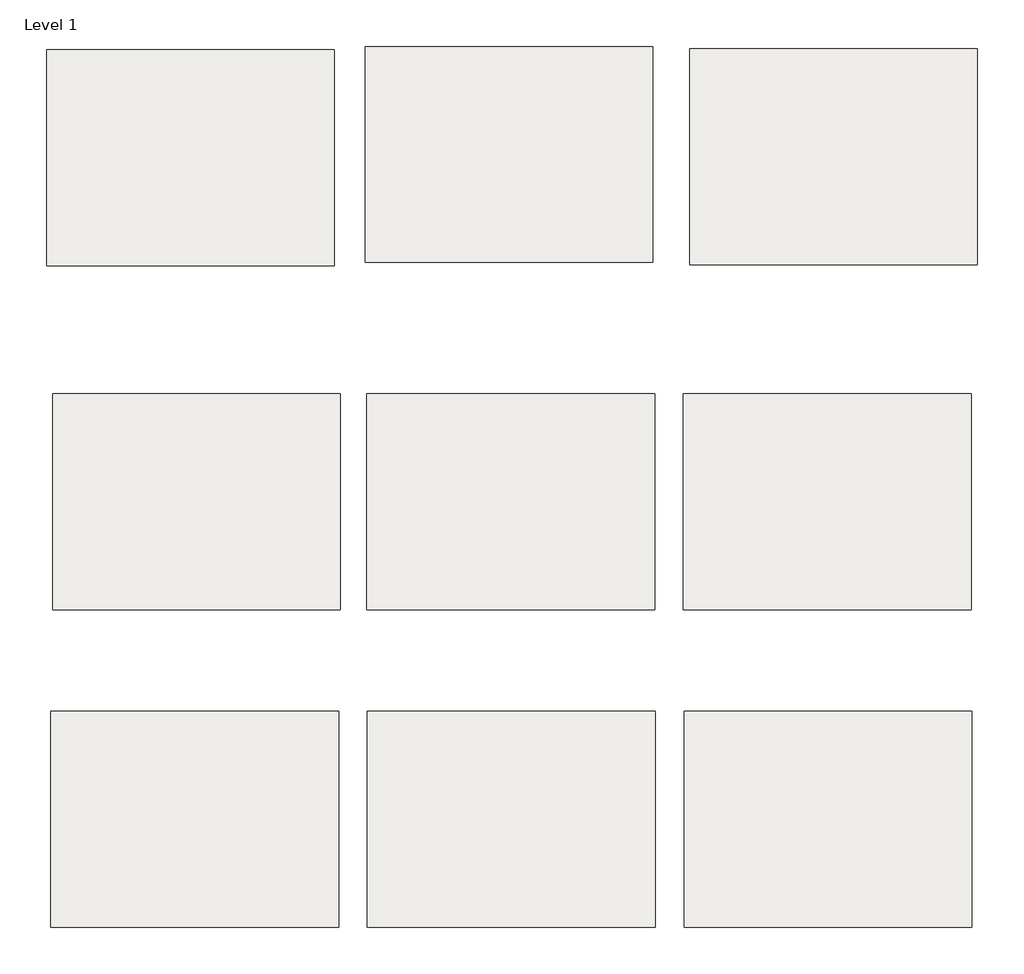
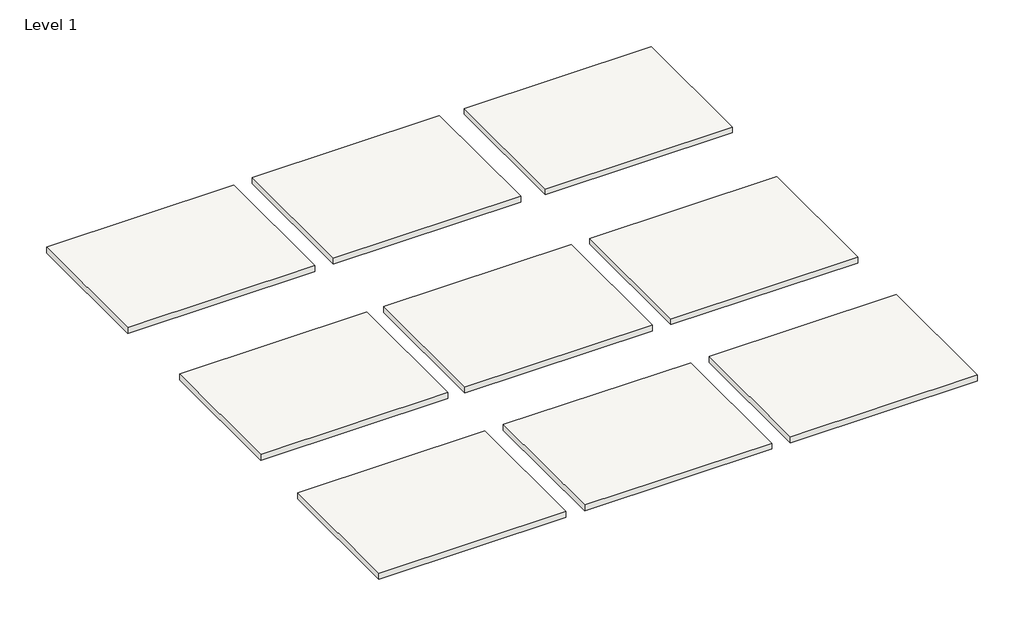
# One storey: 9 slabs.
"""IFC4 building model written with IfcOpenShell, lengths in millimetres."""

from ifc_helpers import new_model, si_unit, frame, origin, place, context, project, spatial, polyline, outline, extrude, element, save

model = new_model("IFC4")

# Units and contexts
model_context = context("Model", 3, world=origin())
ifc_project = project(units=[si_unit("LENGTHUNIT", "METRE", prefix="MILLI")], contexts=[model_context])

# Site, building, storey
site = spatial("IfcSite", under=ifc_project)
building = spatial("IfcBuilding", under=site)
storey = spatial("IfcBuildingStorey", under=building, Name="Level 1", Elevation=0.0)

# Slabs
placement = place(None, origin())
element("IfcSlab", 1, at=placement, inside=storey, context=model_context, shape_type="SweptSolid", body=[
    extrude(outline(polyline([(1175.3310586, 17065.7314034), (1175.3310586, 16779.9814034), (794.3310586, 16779.9814034), (794.3310586, 17065.7314034), (1175.3310586, 17065.7314034)])), frame((0.0, 0.0, -12.7), z_axis=(0.0, 0.0, 1.0), x_axis=(1.0, 0.0, 0.0)), (0.0, 0.0, 1.0), 12.7),
])
element("IfcSlab", 2, at=placement, inside=storey, context=model_context, shape_type="SweptSolid", body=[
    extrude(outline(polyline([(1596.9295444, 17070.1210511), (1596.9295444, 16784.3710511), (1215.9295444, 16784.3710511), (1215.9295444, 17070.1210511), (1596.9295444, 17070.1210511)])), frame((0.0, 0.0, -12.7), z_axis=(0.0, 0.0, 1.0), x_axis=(1.0, 0.0, 0.0)), (0.0, 0.0, 1.0), 12.7),
])
element("IfcSlab", 3, at=placement, inside=storey, context=model_context, shape_type="SweptSolid", body=[
    extrude(outline(polyline([(2026.7000017, 17067.2843083), (2026.7000017, 16781.5343083), (1645.7000017, 16781.5343083), (1645.7000017, 17067.2843083), (2026.7000017, 17067.2843083)])), frame((0.0, 0.0, -12.7), z_axis=(0.0, 0.0, 1.0), x_axis=(1.0, 0.0, 0.0)), (0.0, 0.0, 1.0), 12.7),
])
element("IfcSlab", 4, at=placement, inside=storey, context=model_context, shape_type="SweptSolid", body=[
    extrude(outline(polyline([(1183.3895178, 16610.3654458), (1183.3895178, 16324.6154458), (802.3895178, 16324.6154458), (802.3895178, 16610.3654458), (1183.3895178, 16610.3654458)])), frame((0.0, 0.0, -12.7), z_axis=(0.0, 0.0, 1.0), x_axis=(1.0, 0.0, 0.0)), (0.0, 0.0, 1.0), 12.7),
])
element("IfcSlab", 5, at=placement, inside=storey, context=model_context, shape_type="SweptSolid", body=[
    extrude(outline(polyline([(1599.3145178, 16610.3654458), (1599.3145178, 16324.6154458), (1218.3145178, 16324.6154458), (1218.3145178, 16610.3654458), (1599.3145178, 16610.3654458)])), frame((0.0, 0.0, -12.7), z_axis=(0.0, 0.0, 1.0), x_axis=(1.0, 0.0, 0.0)), (0.0, 0.0, 1.0), 12.7),
])
element("IfcSlab", 6, at=placement, inside=storey, context=model_context, shape_type="SweptSolid", body=[
    extrude(outline(polyline([(2018.4145178, 16610.3654458), (2018.4145178, 16324.6154458), (1637.4145178, 16324.6154458), (1637.4145178, 16610.3654458), (2018.4145178, 16610.3654458)])), frame((0.0, 0.0, -12.7), z_axis=(0.0, 0.0, 1.0), x_axis=(1.0, 0.0, 0.0)), (0.0, 0.0, 1.0), 12.7),
])
element("IfcSlab", 7, at=placement, inside=storey, context=model_context, shape_type="SweptSolid", body=[
    extrude(outline(polyline([(1181.0465863, 16190.0551741), (1181.0465863, 15904.3051741), (800.0465863, 15904.3051741), (800.0465863, 16190.0551741), (1181.0465863, 16190.0551741)])), frame((0.0, 0.0, -12.7), z_axis=(0.0, 0.0, 1.0), x_axis=(1.0, 0.0, 0.0)), (0.0, 0.0, 1.0), 12.7),
])
element("IfcSlab", 8, at=placement, inside=storey, context=model_context, shape_type="SweptSolid", body=[
    extrude(outline(polyline([(1600.1465863, 16190.0551741), (1600.1465863, 15904.3051741), (1219.1465863, 15904.3051741), (1219.1465863, 16190.0551741), (1600.1465863, 16190.0551741)])), frame((0.0, 0.0, -12.7), z_axis=(0.0, 0.0, 1.0), x_axis=(1.0, 0.0, 0.0)), (0.0, 0.0, 1.0), 12.7),
])
element("IfcSlab", 9, at=placement, inside=storey, context=model_context, shape_type="SweptSolid", body=[
    extrude(outline(polyline([(2019.2465863, 16190.0551741), (2019.2465863, 15904.3051741), (1638.2465863, 15904.3051741), (1638.2465863, 16190.0551741), (2019.2465863, 16190.0551741)])), frame((0.0, 0.0, -12.7), z_axis=(0.0, 0.0, 1.0), x_axis=(1.0, 0.0, 0.0)), (0.0, 0.0, 1.0), 12.7),
])

save(model, "model.ifc")
